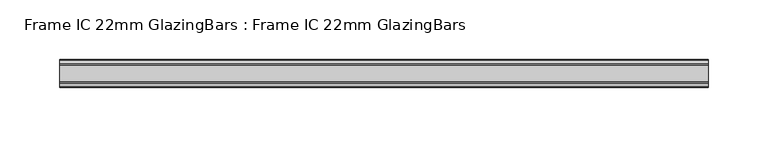
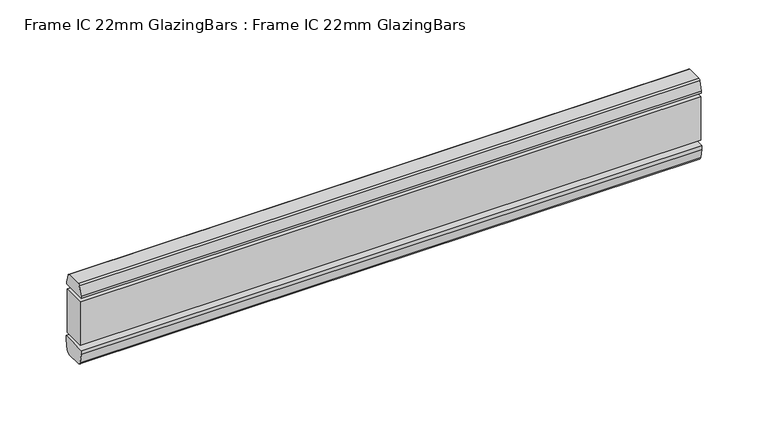
"""IFC4 building model written with IfcOpenShell, lengths in millimetres: proxy geometry, Frame IC 22mm GlazingBars : Frame IC 22mm GlazingBars."""

from ifc_helpers import new_model, si_unit, point, frame, frame_2d, origin, place, context, project, spatial, polyline, circle_curve, trimmed, segment, composite_curve, outline, extrude, source, transform, mapped, element, save


def frame_ic_22mm_glazingbars_frame_ic_22mm_glazingbars_287ebc43(model_context):
    return source(origin(), model_context, "Body", "SweptSolid", [
        extrude(outline(composite_curve([segment(polyline([(165.5398889, 1.6747255), (168.0499433, 9.8847434)]), True, "CONTINUOUS"), segment(trimmed(circle_curve(frame_2d((169.9625528, 9.3)), 2.0), [point((168.0499433, 9.8847434))], [point((169.9625528, 11.3))], False, "CARTESIAN"), True, "CONTINUOUS"), segment(polyline([(169.9625528, 11.3), (183.117225, 11.3)]), True, "CONTINUOUS"), segment(trimmed(circle_curve(frame_2d((183.117225, 9.3)), 2.0), [point((183.117225, 11.3))], [point((185.0298345, 9.8847434))], False, "CARTESIAN"), True, "CONTINUOUS"), segment(polyline([(185.0298345, 9.8847434), (187.5398889, 1.6747255), (187.5398889, 0.0), (165.5398889, 0.0), (165.5398889, 1.6747255)]), True, "CONTINUOUS")], self_intersect=False)), frame((-186.6105843, 0.0, 0.0), z_axis=(1.0, 0.0, 0.0), x_axis=(0.0, 1.0, 0.0)), (0.0, 0.0, 1.0), 540.7826934),
        extrude(outline(composite_curve([segment(polyline([(166.9042614, -60.3237351), (165.0398889, -51.5525521), (165.0398889, -48.0), (188.0398889, -48.0), (188.0398889, -51.5525521), (186.1755164, -60.3237351)]), True, "CONTINUOUS"), segment(trimmed(circle_curve(frame_2d((183.2410736, -59.7)), 3.0), [point((186.1755164, -60.3237351))], [point((183.2410736, -62.7))], False, "CARTESIAN"), True, "CONTINUOUS"), segment(polyline([(183.2410736, -62.7), (169.8387042, -62.7)]), True, "CONTINUOUS"), segment(trimmed(circle_curve(frame_2d((169.8387042, -59.7)), 3.0), [point((169.8387042, -62.7))], [point((166.9042614, -60.3237351))], False, "CARTESIAN"), True, "CONTINUOUS")], self_intersect=False)), frame((-186.6105843, 0.0, 0.0), z_axis=(1.0, 0.0, 0.0), x_axis=(0.0, 1.0, 0.0)), (0.0, 0.0, 1.0), 540.7826934),
        extrude(outline(polyline([(354.1721092, 186.5398889), (354.1721092, 166.5398889), (-186.6105843, 166.5398889), (-186.6105843, 186.5398889), (354.1721092, 186.5398889)])), frame((0.0, 0.0, -44.0237411), z_axis=(0.0, 0.0, 1.0), x_axis=(1.0, 0.0, 0.0)), (0.0, 0.0, 1.0), 40.0237411),
    ])


if __name__ == "__main__":
    model = new_model("IFC4")
    model_context = context("Model", 3, world=origin())
    ifc_project = project(units=[si_unit("LENGTHUNIT", "METRE", prefix="MILLI")], contexts=[model_context])
    site = spatial("IfcSite", under=ifc_project)
    building = spatial("IfcBuilding", under=site)
    placement = place(None, origin())
    frame_ic_22mm_glazingbars_frame_ic_22mm_glazingbars_shape = frame_ic_22mm_glazingbars_frame_ic_22mm_glazingbars_287ebc43(model_context)
    element("IfcBuildingElementProxy", 1, Name="Frame IC 22mm GlazingBars : Frame IC 22mm GlazingBars", ObjectType="Frame IC 22mm GlazingBars : Frame IC 22mm GlazingBars", at=placement, inside=building, context=model_context, shape_type="MappedRepresentation", body=[
        mapped(frame_ic_22mm_glazingbars_frame_ic_22mm_glazingbars_shape, transform((0.0, 0.0, 0.0), x_axis=(1.0, 0.0, 0.0), y_axis=(0.0, 1.0, 0.0), z_axis=(0.0, 0.0, 1.0))),
    ])
    save(model, "model.ifc")
